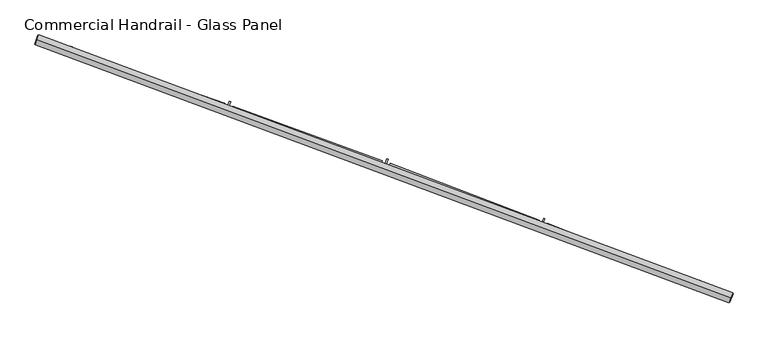
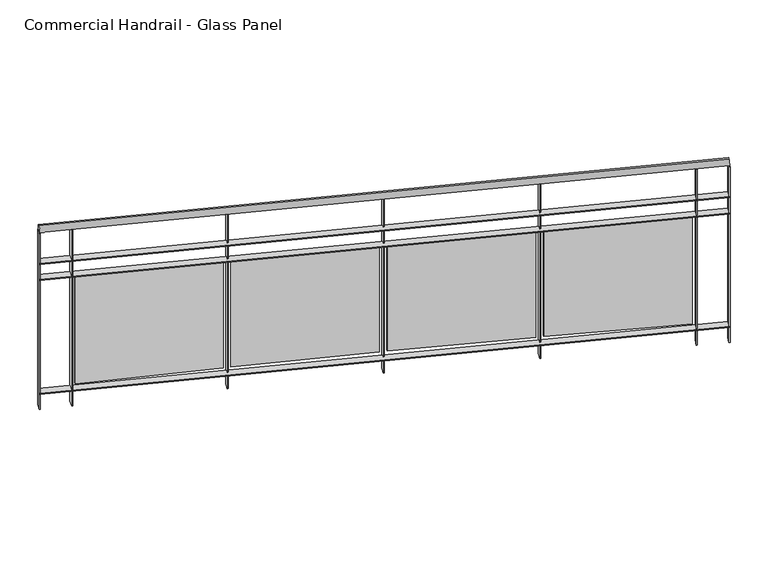
"""IFC4 building model written with IfcOpenShell, lengths in millimetres: railing geometry, Commercial Handrail - Glass Panel."""

import ifcopenshell
import ifcopenshell.guid

model = None  # the IFC model being written
_history = None  # IfcOwnerHistory: only IFC2X3 demands one
_inside = {}  # id of a spatial element -> (the spatial element, [elements in it])
_under = {}  # id of a project, library or spatial element -> (it, [spatial elements below it])
_declared = {}  # id of a project -> (the project, [libraries it declares])
_typed = {}  # id of a type object -> (the type object, [elements of that type])
_made_of = {}  # id of a material, layer set ... -> (it, [elements and type objects made of it])


def new_model(schema):
    """Start an empty IFC model of exactly this schema.

    Asked for "IFC4X3", IfcOpenShell would pick the latest addendum, in which some entities
    have other attributes; the version numbers below select the first issue.
    IFC2X3 requires an IfcOwnerHistory on every rooted entity: one is made here for all.
    """
    global model, _history
    if schema == "IFC4X3":
        model = ifcopenshell.file(schema_version=(4, 3, 0, 0))
    else:
        model = ifcopenshell.file(schema=schema)
    _inside.clear()
    _under.clear()
    _declared.clear()
    _typed.clear()
    _made_of.clear()
    _history = None
    if model.schema == "IFC2X3":
        org = make("IfcOrganization", Name="unknown")
        user = make(
            "IfcPersonAndOrganization",
            ThePerson=make("IfcPerson", FamilyName="unknown"),
            TheOrganization=org,
        )
        app = make(
            "IfcApplication",
            ApplicationDeveloper=org,
            Version="unknown",
            ApplicationFullName="unknown",
            ApplicationIdentifier="unknown",
        )
        _history = make(
            "IfcOwnerHistory",
            OwningUser=user,
            OwningApplication=app,
            ChangeAction="ADDED",
            CreationDate=0,
        )
    return model


def make(cls, **values):
    """One entity of the class cls with the attributes given. An attribute that is None is left unset."""
    return model.create_entity(
        cls, **{name: value for name, value in values.items() if value is not None}
    )


def rooted(cls, **values):
    """An entity with a GlobalId (a new one), such as an element, a storey or a relation."""
    return make(cls, GlobalId=ifcopenshell.guid.new(), OwnerHistory=_history, **values)


def si_unit(unit_type, name, prefix=None):
    """IfcSIUnit, for example si_unit("LENGTHUNIT", "METRE", prefix="MILLI")."""
    return make("IfcSIUnit", UnitType=unit_type, Prefix=prefix, Name=name)


def assignment(units):
    """IfcUnitAssignment: the units of a project."""
    return None if units is None else make("IfcUnitAssignment", Units=units)


def point(xyz):
    """IfcCartesianPoint."""
    return None if xyz is None else make("IfcCartesianPoint", Coordinates=xyz)


def direction(xyz):
    """IfcDirection."""
    return None if xyz is None else make("IfcDirection", DirectionRatios=xyz)


def frame(location, z_axis=None, x_axis=None):
    """IfcAxis2Placement3D, a coordinate frame: its origin and axes. An axis left out is left unset."""
    return make(
        "IfcAxis2Placement3D",
        Location=point(location),
        Axis=direction(z_axis),
        RefDirection=direction(x_axis),
    )


def origin():
    """The frame at (0, 0, 0) with its axes left unset."""
    return frame((0.0, 0.0, 0.0))


def place(relative_to, where):
    """IfcLocalPlacement: puts the frame where relative to a parent placement (None: the world)."""
    return make(
        "IfcLocalPlacement", PlacementRelTo=relative_to, RelativePlacement=where
    )


def context(
    kind, dimensions, precision=None, world=None, true_north=None, identifier=None
):
    """IfcGeometricRepresentationContext, for example the 3D "Model" context."""
    return make(
        "IfcGeometricRepresentationContext",
        ContextIdentifier=identifier,
        ContextType=kind,
        CoordinateSpaceDimension=dimensions,
        Precision=precision,
        WorldCoordinateSystem=world,
        TrueNorth=true_north,
    )


def project(units=None, contexts=None):
    """IfcProject with its units and contexts."""
    return rooted(
        "IfcProject",
        Name="project",
        RepresentationContexts=contexts,
        UnitsInContext=assignment(units),
    )


def spatial(cls, under=None, at=None, **own):
    """A site, building, storey or space (cls), placed at a placement, below another one or the project."""
    s = rooted(cls, ObjectPlacement=at, **own)
    if under is not None:
        _under.setdefault(under.id(), (under, []))[1].append(s)
    return s


def polyline(points):
    """IfcPolyline through the points."""
    return make("IfcPolyline", Points=[point(p) for p in points])


def circle_curve(where, radius):
    """IfcCircle in the frame where."""
    return make("IfcCircle", Position=where, Radius=radius)


def ellipse_curve(where, semi_axis1, semi_axis2):
    """IfcEllipse in the frame where."""
    return make(
        "IfcEllipse", Position=where, SemiAxis1=semi_axis1, SemiAxis2=semi_axis2
    )


def trimmed(basis, trim1, trim2, sense, master):
    """IfcTrimmedCurve: the piece of a basis curve between two trims."""
    return make(
        "IfcTrimmedCurve",
        BasisCurve=basis,
        Trim1=trim1,
        Trim2=trim2,
        SenseAgreement=sense,
        MasterRepresentation=master,
    )


def outline(outer, holes=None, kind="AREA"):
    """IfcArbitraryClosedProfileDef: a profile drawn as a closed curve; with holes, ...WithVoids."""
    if holes is None:
        return make("IfcArbitraryClosedProfileDef", ProfileType=kind, OuterCurve=outer)
    return make(
        "IfcArbitraryProfileDefWithVoids",
        ProfileType=kind,
        OuterCurve=outer,
        InnerCurves=holes,
    )


def extrude(swept, where, along, depth):
    """IfcExtrudedAreaSolid: the profile swept, set in the frame where, extruded along a direction by depth."""
    return make(
        "IfcExtrudedAreaSolid",
        SweptArea=swept,
        Position=where,
        ExtrudedDirection=direction(along),
        Depth=depth,
    )


def shape(context_of_items, identifier, shape_type, items):
    """IfcShapeRepresentation: the items that make up one representation, for example the "Body"."""
    return make(
        "IfcShapeRepresentation",
        ContextOfItems=context_of_items,
        RepresentationIdentifier=identifier,
        RepresentationType=shape_type,
        Items=items,
    )


def source(mapping_origin, context_of_items, identifier, shape_type, items):
    """IfcRepresentationMap: a shape defined once, which mapped items show again and again."""
    return make(
        "IfcRepresentationMap",
        MappingOrigin=mapping_origin,
        MappedRepresentation=shape(context_of_items, identifier, shape_type, items),
    )


def transform(
    local_origin,
    x_axis=None,
    y_axis=None,
    z_axis=None,
    scale=None,
    scale2=None,
    scale3=None,
    uniform=True,
):
    """IfcCartesianTransformationOperator3D, or its non-uniform kind. x_axis, y_axis, z_axis: its Axis1, 2, 3."""
    if uniform:
        return make(
            "IfcCartesianTransformationOperator3D",
            Axis1=direction(x_axis),
            Axis2=direction(y_axis),
            LocalOrigin=point(local_origin),
            Scale=scale,
            Axis3=direction(z_axis),
        )
    return make(
        "IfcCartesianTransformationOperator3DnonUniform",
        Axis1=direction(x_axis),
        Axis2=direction(y_axis),
        LocalOrigin=point(local_origin),
        Scale=scale,
        Axis3=direction(z_axis),
        Scale2=scale2,
        Scale3=scale3,
    )


def mapped(mapping_source, mapping_target):
    """IfcMappedItem: shows the shape of a source again, moved by a transform."""
    return make(
        "IfcMappedItem", MappingSource=mapping_source, MappingTarget=mapping_target
    )


def made_of(thing, what):
    """Note that an element or type object is made of a material, layer set ...; save() writes the relation."""
    if what is not None:
        _made_of.setdefault(what.id(), (what, []))[1].append(thing)
    return thing


def element(
    cls,
    number,
    at=None,
    inside=None,
    cuts=None,
    type_object=None,
    material=None,
    context=None,
    identifier="Body",
    shape_type=None,
    held_by="IfcProductDefinitionShape",
    body=None,
    shapes=None,
    **own,
):
    """One element of the class cls, such as IfcWall. Its Tag is "e" and its number.

    at: its placement. inside: the storey or other place that contains it. cuts: it is an
    opening in that element (IfcRelVoidsElement). A single representation is given by context,
    identifier, shape_type and body (its items); several are given by shapes. held_by: the class
    of the entity that holds the representations. save() writes the other relations.
    """
    e = rooted(cls, Tag="e%d" % number, ObjectPlacement=at, **own)
    if body is not None:
        shapes = [shape(context, identifier, shape_type, body)]
    if shapes is not None:
        e.Representation = make(held_by, Representations=shapes)
    if inside is not None:
        _inside.setdefault(inside.id(), (inside, []))[1].append(e)
    if cuts is not None:
        rooted(
            "IfcRelVoidsElement", RelatingBuildingElement=cuts, RelatedOpeningElement=e
        )
    if type_object is not None:
        _typed.setdefault(type_object.id(), (type_object, []))[1].append(e)
    return made_of(e, material)


def aggregate(whole, parts):
    """IfcRelAggregates: a whole, such as a stair, and the parts it consists of."""
    return rooted("IfcRelAggregates", RelatingObject=whole, RelatedObjects=parts)


def save(model, path):
    """Write the relations noted so far, then the file.

    IfcRelAggregates (storeys below a building ...), IfcRelContainedInSpatialStructure (elements
    in a storey), IfcRelDefinesByType, IfcRelAssociatesMaterial and IfcRelDeclares: one each for
    every whole, place, type object, material and project.
    """
    for whole, parts in _under.values():
        aggregate(whole, parts)
    for where, things in _inside.values():
        rooted(
            "IfcRelContainedInSpatialStructure",
            RelatedElements=things,
            RelatingStructure=where,
        )
    for kind, things in _typed.values():
        rooted("IfcRelDefinesByType", RelatedObjects=things, RelatingType=kind)
    for what, things in _made_of.values():
        rooted("IfcRelAssociatesMaterial", RelatedObjects=things, RelatingMaterial=what)
    for by, libraries in _declared.values():
        rooted("IfcRelDeclares", RelatingContext=by, RelatedDefinitions=libraries)
    model.write(path)


def plane_surface(at):
    """IfcPlane: the flat surface through the origin of the frame at, square to its z axis."""
    return make("IfcPlane", Position=at)


def cylinder_surface(at, radius):
    """IfcCylindricalSurface: all points at the distance radius from the z axis of the frame at."""
    return make("IfcCylindricalSurface", Position=at, Radius=radius)


def revolved_surface(curve, axis_point, axis_direction):
    """IfcSurfaceOfRevolution: the curve turned about the line through axis_point along axis_direction."""
    return make(
        "IfcSurfaceOfRevolution",
        SweptCurve=make("IfcArbitraryOpenProfileDef", ProfileType="CURVE", Curve=curve),
        AxisPosition=make("IfcAxis1Placement", Location=point(axis_point), Axis=direction(axis_direction)),
    )


def advanced_brep(points, edges, surfaces, faces):
    """IfcAdvancedBrep: a solid bounded by faces that lie on surfaces and meet in shared edges.

    An edge is (start, end): straight between two places in points (the first is 0);
    or (start, end, curve); or (start, end, curve, False) where it runs against its curve.
    A face is (place in surfaces, loops), or (place, loops, False) where it looks against
    its surface's normal. A loop lists edges by number (the first is 1), with a minus sign
    where the edge is run from its end to its start. The first loop is the outer one.
    """
    corners = [point(p) for p in points]
    vertices = [make("IfcVertexPoint", VertexGeometry=c) for c in corners]
    made = []
    for start, end, *more in edges:
        made.append(
            make(
                "IfcEdgeCurve",
                EdgeStart=vertices[start],
                EdgeEnd=vertices[end],
                EdgeGeometry=more[0] if more else make("IfcPolyline", Points=[corners[start], corners[end]]),
                SameSense=more[1] if len(more) > 1 else True,
            )
        )
    hull = []
    for where, loops, *sense in faces:
        bounds = []
        for j, loop in enumerate(loops):
            ring = [make("IfcOrientedEdge", EdgeElement=made[abs(k) - 1], Orientation=k > 0) for k in loop]
            bounds.append(
                make(
                    "IfcFaceOuterBound" if j == 0 else "IfcFaceBound",
                    Bound=make("IfcEdgeLoop", EdgeList=ring),
                    Orientation=True,
                )
            )
        hull.append(make("IfcAdvancedFace", Bounds=bounds, FaceSurface=surfaces[where], SameSense=sense[0] if sense else True))
    return make("IfcAdvancedBrep", Outer=make("IfcClosedShell", CfsFaces=hull))


def commercial_handrail_glass_panel_0c8410c1(model_context):
    return source(origin(), model_context, "Body", "SolidModel", [
        advanced_brep(
        [(154688.5443704, -12503.5611776, 19682.5), (151378.1394206, -11272.5411914, 19682.5), (151378.1394206, -11272.5411914, 19717.5), (154688.5443704, -12503.5611776, 19717.5)],
        [
            (0, 1, circle_curve(frame((133423.8827296, -64620.9486284, 19682.5), z_axis=(0.0, 0.0, 1.0), x_axis=(0.31896783130581285, 0.9477655419944674, 0.0)), 56288.6126085)),
            (1, 2, ellipse_curve(frame((151378.1394206, -11272.5411914, 19700.0), z_axis=(0.9477655419944653, -0.318967831305819, 0.0), x_axis=(-0.318967831305819, -0.9477655419944653, 0.0)), 25.0, 17.5)),
            (2, 3, circle_curve(frame((133423.8827296, -64620.9486284, 19717.5), z_axis=(0.0, 0.0, -1.0), x_axis=(0.31896783130581285, 0.9477655419944674, 0.0)), 56288.6126085)),
            (3, 0, ellipse_curve(frame((154688.5443704, -12503.5611776, 19700.0), z_axis=(-0.9258957546749953, 0.3777791040738237, 0.0), x_axis=(-0.3777791040738237, -0.9258957546749953, 0.0)), 25.0, 17.5)),
            (2, 1, ellipse_curve(frame((151378.1394206, -11272.5411914, 19700.0), z_axis=(0.9477655419944653, -0.318967831305819, 0.0), x_axis=(-0.318967831305819, -0.9477655419944653, 0.0)), 25.0, 17.5)),
            (0, 3, ellipse_curve(frame((154688.5443704, -12503.5611776, 19700.0), z_axis=(-0.9258957546749953, 0.3777791040738237, 0.0), x_axis=(-0.3777791040738237, -0.9258957546749953, 0.0)), 25.0, 17.5)),
        ],
        [
            revolved_surface(trimmed(ellipse_curve(frame((151378.1394206, -11272.5411914, 19700.0), z_axis=(-0.9477655419944674, 0.31896783130581285, 0.0), x_axis=(0.0, 0.0, -1.0)), 17.5, 25.0), [point((151378.1394206, -11272.5411914, 19717.5))], [point((151378.1394206, -11272.5411914, 19682.5))], True, "CARTESIAN"), (133423.8827296, -64620.9486284, 19700.0), (0.0, 0.0, -1.0)),
            revolved_surface(trimmed(ellipse_curve(frame((151378.1394206, -11272.5411914, 19700.0), z_axis=(-0.9477655419944674, 0.31896783130581285, 0.0), x_axis=(0.0, 0.0, -1.0)), 17.5, 25.0), [point((151378.1394206, -11272.5411914, 19682.5))], [point((151378.1394206, -11272.5411914, 19717.5))], True, "CARTESIAN"), (133423.8827296, -64620.9486284, 19700.0), (0.0, 0.0, -1.0)),
            plane_surface(frame((151378.1394206, -11272.5411914, 19700.0), z_axis=(-0.9477655419944674, 0.31896783130581285, 0.0), x_axis=(0.31896783130581285, 0.9477655419944674, 0.0))),
            plane_surface(frame((154688.5443704, -12503.5611776, 19700.0), z_axis=(0.9258957546749954, -0.3777791040738237, 0.0), x_axis=(0.3777791040738237, 0.9258957546749954, 0.0))),
        ],
        [
            (0, [[1, 2, 3, 4]]),
            (1, [[-3, 5, -1, 6]]),
            (2, [[-2, -5]]),
            (3, [[-6, -4]]),
        ],
    ),
        advanced_brep(
        [(154697.0444003, -12482.7285231, 19500.0), (151385.3161968, -11251.2164667, 19500.0), (151370.9626444, -11293.865916, 19500.0), (154680.0443406, -12524.3938321, 19500.0), (154697.0444003, -12482.7285231, 19494.0), (151385.3161968, -11251.2164667, 19494.0), (154680.0443406, -12524.3938321, 19494.0), (151370.9626444, -11293.865916, 19494.0)],
        [
            (0, 1, circle_curve(frame((133423.8827296, -64620.9486284, 19500.0), z_axis=(0.0, 0.0, 1.0), x_axis=(0.31896783130581285, 0.9477655419944674, 0.0)), 56311.1126085)),
            (1, 2),
            (2, 3, circle_curve(frame((133423.8827296, -64620.9486284, 19500.0), z_axis=(0.0, 0.0, -1.0), x_axis=(0.31896783130581285, 0.9477655419944674, 0.0)), 56266.1126085)),
            (3, 0),
            (4, 5, circle_curve(frame((133423.8827296, -64620.9486284, 19494.0), z_axis=(0.0, 0.0, 1.0), x_axis=(0.31896783130581285, 0.9477655419944674, 0.0)), 56311.1126085)),
            (5, 1),
            (0, 4),
            (6, 7, circle_curve(frame((133423.8827296, -64620.9486284, 19494.0), z_axis=(0.0, 0.0, 1.0), x_axis=(0.31896783130581285, 0.9477655419944674, 0.0)), 56266.1126085)),
            (7, 5),
            (4, 6),
            (2, 7),
            (6, 3),
        ],
        [
            plane_surface(frame((133423.8827296, -64620.9486284, 19500.0), z_axis=(0.0, 0.0, 1.0), x_axis=(0.31896783130581285, 0.9477655419944674, 0.0))),
            cylinder_surface(frame((133423.8827296, -64620.9486284, 19500.0), z_axis=(0.0, 0.0, -1.0), x_axis=(0.31896783130581285, 0.9477655419944674, 0.0)), 56311.1126085),
            plane_surface(frame((133423.8827296, -64620.9486284, 19494.0), z_axis=(0.0, 0.0, -1.0), x_axis=(0.31896783130581285, 0.9477655419944674, 0.0))),
            revolved_surface(polyline([(151370.9626443419, -11293.865916083261, 19494.0), (151370.9626443419, -11293.865916083261, 19500.0)]), (133423.8827296, -64620.9486284, 19500.0), (0.0, 0.0, -1.0)),
            plane_surface(frame((151378.1394206, -11272.5411914, 19500.0), z_axis=(-0.9477655419944674, 0.31896783130581285, 0.0), x_axis=(0.31896783130581285, 0.9477655419944674, 0.0))),
            plane_surface(frame((154688.5443704, -12503.5611776, 19500.0), z_axis=(0.9258957546749954, -0.3777791040738237, 0.0), x_axis=(0.3777791040738237, 0.9258957546749954, 0.0))),
        ],
        [
            (0, [[1, 2, 3, 4]]),
            (1, [[5, 6, -1, 7]]),
            (2, [[8, 9, -5, 10]]),
            (3, [[-3, 11, -8, 12]]),
            (4, [[-2, -6, -9, -11]]),
            (5, [[-12, -10, -7, -4]]),
        ],
    ),
        advanced_brep(
        [(154697.0444003, -12482.7285231, 19400.0), (151385.3161968, -11251.2164667, 19400.0), (151370.9626444, -11293.865916, 19400.0), (154680.0443406, -12524.3938321, 19400.0), (154697.0444003, -12482.7285231, 19394.0), (151385.3161968, -11251.2164667, 19394.0), (154680.0443406, -12524.3938321, 19394.0), (151370.9626444, -11293.865916, 19394.0)],
        [
            (0, 1, circle_curve(frame((133423.8827296, -64620.9486284, 19400.0), z_axis=(0.0, 0.0, 1.0), x_axis=(0.31896783130581285, 0.9477655419944674, 0.0)), 56311.1126085)),
            (1, 2),
            (2, 3, circle_curve(frame((133423.8827296, -64620.9486284, 19400.0), z_axis=(0.0, 0.0, -1.0), x_axis=(0.31896783130581285, 0.9477655419944674, 0.0)), 56266.1126085)),
            (3, 0),
            (4, 5, circle_curve(frame((133423.8827296, -64620.9486284, 19394.0), z_axis=(0.0, 0.0, 1.0), x_axis=(0.31896783130581285, 0.9477655419944674, 0.0)), 56311.1126085)),
            (5, 1),
            (0, 4),
            (6, 7, circle_curve(frame((133423.8827296, -64620.9486284, 19394.0), z_axis=(0.0, 0.0, 1.0), x_axis=(0.31896783130581285, 0.9477655419944674, 0.0)), 56266.1126085)),
            (7, 5),
            (4, 6),
            (2, 7),
            (6, 3),
        ],
        [
            plane_surface(frame((133423.8827296, -64620.9486284, 19400.0), z_axis=(0.0, 0.0, 1.0), x_axis=(0.31896783130581285, 0.9477655419944674, 0.0))),
            cylinder_surface(frame((133423.8827296, -64620.9486284, 19400.0), z_axis=(0.0, 0.0, -1.0), x_axis=(0.31896783130581285, 0.9477655419944674, 0.0)), 56311.1126085),
            plane_surface(frame((133423.8827296, -64620.9486284, 19394.0), z_axis=(0.0, 0.0, -1.0), x_axis=(0.31896783130581285, 0.9477655419944674, 0.0))),
            revolved_surface(polyline([(151370.9626443419, -11293.865916083261, 19394.0), (151370.9626443419, -11293.865916083261, 19400.0)]), (133423.8827296, -64620.9486284, 19400.0), (0.0, 0.0, -1.0)),
            plane_surface(frame((151378.1394206, -11272.5411914, 19400.0), z_axis=(-0.9477655419944674, 0.31896783130581285, 0.0), x_axis=(0.31896783130581285, 0.9477655419944674, 0.0))),
            plane_surface(frame((154688.5443704, -12503.5611776, 19400.0), z_axis=(0.9258957546749954, -0.3777791040738237, 0.0), x_axis=(0.3777791040738237, 0.9258957546749954, 0.0))),
        ],
        [
            (0, [[1, 2, 3, 4]]),
            (1, [[5, 6, -1, 7]]),
            (2, [[8, 9, -5, 10]]),
            (3, [[-3, 11, -8, 12]]),
            (4, [[-2, -6, -9, -11]]),
            (5, [[-12, -10, -7, -4]]),
        ],
    ),
        advanced_brep(
        [(154697.0444003, -12482.7285231, 18700.0), (151385.3161968, -11251.2164667, 18700.0), (151370.9626444, -11293.865916, 18700.0), (154680.0443406, -12524.3938321, 18700.0), (154697.0444003, -12482.7285231, 18694.0), (151385.3161968, -11251.2164667, 18694.0), (154680.0443406, -12524.3938321, 18694.0), (151370.9626444, -11293.865916, 18694.0)],
        [
            (0, 1, circle_curve(frame((133423.8827296, -64620.9486284, 18700.0), z_axis=(0.0, 0.0, 1.0), x_axis=(0.31896783130581285, 0.9477655419944674, 0.0)), 56311.1126085)),
            (1, 2),
            (2, 3, circle_curve(frame((133423.8827296, -64620.9486284, 18700.0), z_axis=(0.0, 0.0, -1.0), x_axis=(0.31896783130581285, 0.9477655419944674, 0.0)), 56266.1126085)),
            (3, 0),
            (4, 5, circle_curve(frame((133423.8827296, -64620.9486284, 18694.0), z_axis=(0.0, 0.0, 1.0), x_axis=(0.31896783130581285, 0.9477655419944674, 0.0)), 56311.1126085)),
            (5, 1),
            (0, 4),
            (6, 7, circle_curve(frame((133423.8827296, -64620.9486284, 18694.0), z_axis=(0.0, 0.0, 1.0), x_axis=(0.31896783130581285, 0.9477655419944674, 0.0)), 56266.1126085)),
            (7, 5),
            (4, 6),
            (2, 7),
            (6, 3),
        ],
        [
            plane_surface(frame((133423.8827296, -64620.9486284, 18700.0), z_axis=(0.0, 0.0, 1.0), x_axis=(0.31896783130581285, 0.9477655419944674, 0.0))),
            cylinder_surface(frame((133423.8827296, -64620.9486284, 18700.0), z_axis=(0.0, 0.0, -1.0), x_axis=(0.31896783130581285, 0.9477655419944674, 0.0)), 56311.1126085),
            plane_surface(frame((133423.8827296, -64620.9486284, 18694.0), z_axis=(0.0, 0.0, -1.0), x_axis=(0.31896783130581285, 0.9477655419944674, 0.0))),
            revolved_surface(polyline([(151370.9626443419, -11293.865916083261, 18694.0), (151370.9626443419, -11293.865916083261, 18700.0)]), (133423.8827296, -64620.9486284, 18700.0), (0.0, 0.0, -1.0)),
            plane_surface(frame((151378.1394206, -11272.5411914, 18700.0), z_axis=(-0.9477655419944674, 0.31896783130581285, 0.0), x_axis=(0.31896783130581285, 0.9477655419944674, 0.0))),
            plane_surface(frame((154688.5443704, -12503.5611776, 18700.0), z_axis=(0.9258957546749954, -0.3777791040738237, 0.0), x_axis=(0.3777791040738237, 0.9258957546749954, 0.0))),
        ],
        [
            (0, [[1, 2, 3, 4]]),
            (1, [[5, 6, -1, 7]]),
            (2, [[8, 9, -5, 10]]),
            (3, [[-3, 11, -8, 12]]),
            (4, [[-2, -6, -9, -11]]),
            (5, [[-12, -10, -7, -4]]),
        ],
    ),
        extrude(outline(polyline([(154523.3199189, -12460.722523), (154540.1968592, -12419.0071914), (154545.7589034, -12421.2574501), (154528.8819631, -12462.9727817), (154523.3199189, -12460.722523)])), frame((0.0, 0.0, 18600.0), z_axis=(0.0, 0.0, 1.0), x_axis=(1.0, 0.0, 0.0)), (0.0, 0.0, 1.0), 1082.1192282),
        extrude(outline(polyline([(153812.1505834, -12146.7040634), (154518.6838869, -12426.7231539), (154514.2625328, -12437.8789429), (153807.7292294, -12157.8598524), (153812.1505834, -12146.7040634)])), frame((0.0, 0.0, 18720.0), z_axis=(0.0, 0.0, 1.0), x_axis=(1.0, 0.0, 0.0)), (0.0, 0.0, 1.0), 660.0),
        extrude(outline(polyline([(153779.8884832, -12166.1255247), (153796.1708612, -12124.1745514), (153801.7643243, -12126.3455351), (153785.4819463, -12168.2965085), (153779.8884832, -12166.1255247)])), frame((0.0, 0.0, 18600.0), z_axis=(0.0, 0.0, 1.0), x_axis=(1.0, 0.0, 0.0)), (0.0, 0.0, 1.0), 1082.1192282),
        extrude(outline(polyline([(153064.3281461, -11862.2459094), (153774.7697208, -12132.1954767), (153770.5073592, -12143.4129753), (153060.0657845, -11873.463408), (153064.3281461, -11862.2459094)])), frame((0.0, 0.0, 18720.0), z_axis=(0.0, 0.0, 1.0), x_axis=(1.0, 0.0, 0.0)), (0.0, 0.0, 1.0), 660.0),
        extrude(outline(polyline([(153032.3453218, -11882.1239179), (153048.0298486, -11839.9457764), (153053.6536008, -11842.0370466), (153037.969074, -11884.2151881), (153032.3453218, -11882.1239179)])), frame((0.0, 0.0, 18600.0), z_axis=(0.0, 0.0, 1.0), x_axis=(1.0, 0.0, 0.0)), (0.0, 0.0, 1.0), 1082.1192282),
        extrude(outline(polyline([(152312.5385196, -11588.4445277), (153026.7448629, -11848.2700444), (153022.6423547, -11859.5469867), (152308.4360114, -11599.7214699), (152312.5385196, -11588.4445277)])), frame((0.0, 0.0, 18720.0), z_axis=(0.0, 0.0, 1.0), x_axis=(1.0, 0.0, 0.0)), (0.0, 0.0, 1.0), 660.0),
        extrude(outline(polyline([(152280.8414314, -11608.775068), (152295.9249389, -11566.378278), (152301.5778442, -11568.3894124), (152286.4943367, -11610.7862024), (152280.8414314, -11608.775068)])), frame((0.0, 0.0, 18600.0), z_axis=(0.0, 0.0, 1.0), x_axis=(1.0, 0.0, 0.0)), (0.0, 0.0, 1.0), 1082.1192282),
        extrude(outline(polyline([(151556.9335585, -11325.3552235), (152274.7604073, -11575.0042073), (152270.8185812, -11586.3383154), (151552.9917324, -11336.6893316), (151556.9335585, -11325.3552235)])), frame((0.0, 0.0, 18720.0), z_axis=(0.0, 0.0, 1.0), x_axis=(1.0, 0.0, 0.0)), (0.0, 0.0, 1.0), 660.0),
        extrude(outline(polyline([(151525.528609, -11346.1341892), (151540.0080505, -11303.5273144), (151545.6889671, -11305.4579066), (151531.2095256, -11348.0647814), (151525.528609, -11346.1341892)])), frame((0.0, 0.0, 18600.0), z_axis=(0.0, 0.0, 1.0), x_axis=(1.0, 0.0, 0.0)), (0.0, 0.0, 1.0), 1082.1192282),
        extrude(outline(polyline([(154677.2666533, -12523.2604948), (154694.266713, -12481.5951858), (154699.8220875, -12483.8618604), (154682.8220279, -12525.5271694), (154677.2666533, -12523.2604948)])), frame((0.0, 0.0, 18600.0), z_axis=(0.0, 0.0, 1.0), x_axis=(1.0, 0.0, 0.0)), (0.0, 0.0, 1.0), 1082.1192282),
        extrude(outline(polyline([(151368.1193477, -11292.9090126), (151382.4729002, -11250.2595632), (151388.1594934, -11252.1733702), (151373.805941, -11294.8228195), (151368.1193477, -11292.9090126)])), frame((0.0, 0.0, 18600.0), z_axis=(0.0, 0.0, 1.0), x_axis=(1.0, 0.0, 0.0)), (0.0, 0.0, 1.0), 1082.1192282),
    ])


if __name__ == "__main__":
    model = new_model("IFC4")
    model_context = context("Model", 3, world=origin())
    ifc_project = project(units=[si_unit("LENGTHUNIT", "METRE", prefix="MILLI")], contexts=[model_context])
    site = spatial("IfcSite", under=ifc_project)
    building = spatial("IfcBuilding", under=site)
    placement = place(None, origin())
    commercial_handrail_glass_panel_shape = commercial_handrail_glass_panel_0c8410c1(model_context)
    element("IfcRailing", 1, ObjectType="Commercial Handrail - Glass Panel", at=placement, inside=building, context=model_context, shape_type="MappedRepresentation", body=[
        mapped(commercial_handrail_glass_panel_shape, transform((0.0, 0.0, 0.0), x_axis=(1.0, 0.0, 0.0), y_axis=(0.0, 1.0, 0.0), z_axis=(0.0, 0.0, 1.0))),
    ])
    save(model, "model.ifc")
